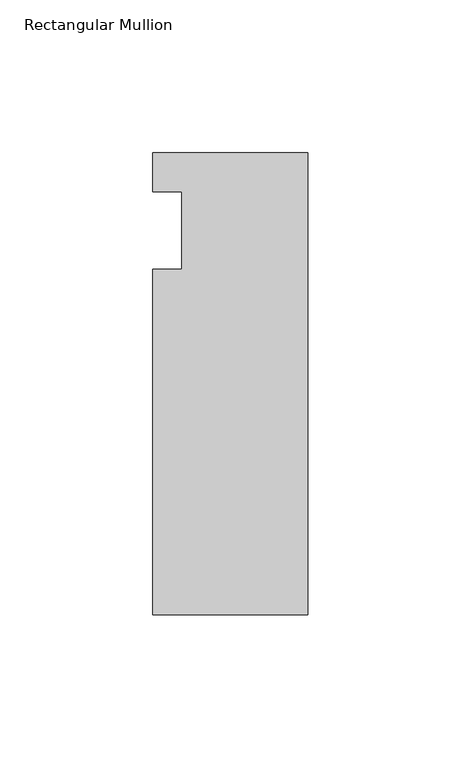
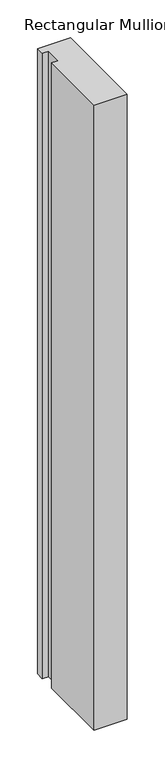
"""IFC4 building model written with IfcOpenShell, lengths in millimetres: member geometry, Rectangular Mullion."""

from ifc_helpers import new_model, si_unit, frame, origin, place, context, project, spatial, polyline, outline, extrude, source, transform, mapped, element, save


def rectangular_mullion_700a08ed(model_context):
    return source(origin(), model_context, "Body", "SweptSolid", [
        extrude(outline(polyline([(-50.8, 25.4508252), (0.0, 25.4508252), (0.0, -125.8533), (-50.8, -125.8533), (-50.8, -12.7), (-41.275, -12.7), (-41.275, 12.7), (-50.8, 12.7), (-50.8, 25.4508252)])), frame((0.0, 0.0, -1016.0), z_axis=(0.0, 0.0, 1.0), x_axis=(1.0, 0.0, 0.0)), (0.0, 0.0, 1.0), 1016.0),
    ])


if __name__ == "__main__":
    model = new_model("IFC4")
    model_context = context("Model", 3, world=origin())
    ifc_project = project(units=[si_unit("LENGTHUNIT", "METRE", prefix="MILLI")], contexts=[model_context])
    site = spatial("IfcSite", under=ifc_project)
    building = spatial("IfcBuilding", under=site)
    placement = place(None, origin())
    rectangular_mullion_shape = rectangular_mullion_700a08ed(model_context)
    element("IfcMember", 1, ObjectType="Rectangular Mullion", at=placement, inside=building, context=model_context, shape_type="MappedRepresentation", body=[
        mapped(rectangular_mullion_shape, transform((0.0, 0.0, 0.0), x_axis=(1.0, 0.0, 0.0), y_axis=(0.0, 1.0, 0.0), z_axis=(0.0, 0.0, 1.0))),
    ])
    save(model, "model.ifc")
